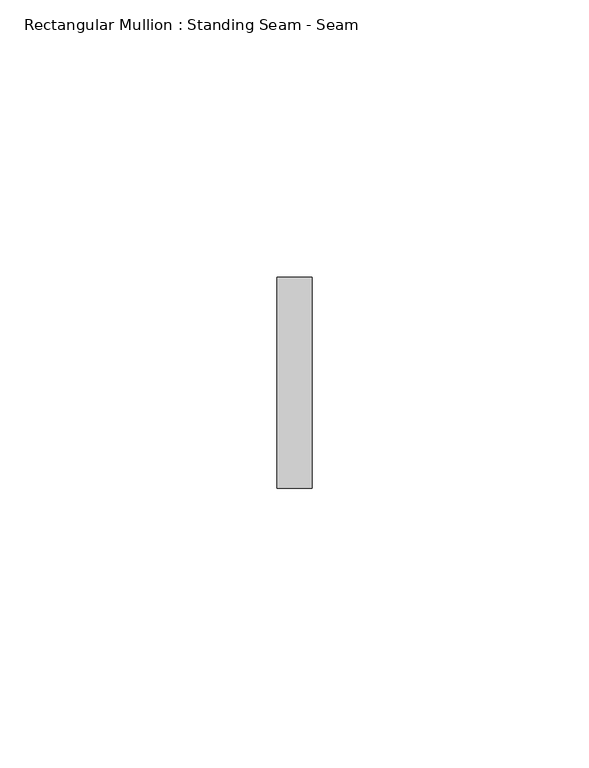
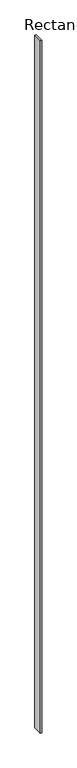
"""IFC4 building model written with IfcOpenShell, lengths in millimetres: member geometry, Rectangular Mullion : Standing Seam - Seam."""

from ifc_helpers import new_model, si_unit, frame, origin, place, context, project, spatial, polyline, outline, extrude, source, transform, mapped, element, save


def rectangular_mullion_standing_seam_seam_abfc9f5b(model_context):
    return source(origin(), model_context, "Body", "SweptSolid", [
        extrude(outline(polyline([(3.175, 41.275), (3.175, 3.175), (-3.175, 3.175), (-3.175, 41.275), (3.175, 41.275)])), frame((0.0, 0.0, -2929.2900728), z_axis=(0.0, 0.0, 1.0), x_axis=(1.0, 0.0, 0.0)), (0.0, 0.0, 1.0), 2929.2900728),
    ])


if __name__ == "__main__":
    model = new_model("IFC4")
    model_context = context("Model", 3, world=origin())
    ifc_project = project(units=[si_unit("LENGTHUNIT", "METRE", prefix="MILLI")], contexts=[model_context])
    site = spatial("IfcSite", under=ifc_project)
    building = spatial("IfcBuilding", under=site)
    placement = place(None, origin())
    rectangular_mullion_standing_seam_seam_shape = rectangular_mullion_standing_seam_seam_abfc9f5b(model_context)
    element("IfcMember", 1, ObjectType="Rectangular Mullion : Standing Seam - Seam", at=placement, inside=building, context=model_context, shape_type="MappedRepresentation", body=[
        mapped(rectangular_mullion_standing_seam_seam_shape, transform((0.0, 0.0, 0.0), x_axis=(1.0, 0.0, 0.0), y_axis=(0.0, 1.0, 0.0), z_axis=(0.0, 0.0, 1.0))),
    ])
    save(model, "model.ifc")
